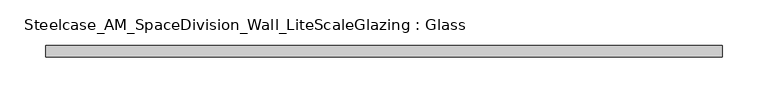
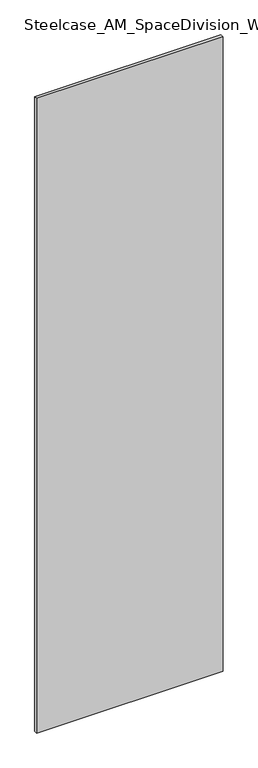
"""IFC4 building model written with IfcOpenShell, lengths in millimetres: plate geometry, Steelcase_AM_SpaceDivision_Wall_LiteScaleGlazing : Glass."""

from ifc_helpers import new_model, si_unit, origin, origin_with_axes, place, context, project, spatial, polyline, outline, extrude, source, transform, mapped, element, save


def steelcase_am_spacedivision_wall_litescaleglazing_glass_25c59f68(model_context):
    return source(origin(), model_context, "Body", "SweptSolid", [
        extrude(outline(polyline([(-370.4728422, -6.349956), (-370.4728422, 6.3502015), (370.4728422, 6.3502015), (370.4728422, -6.349956), (-370.4728422, -6.349956)])), origin_with_axes(), (0.0, 0.0, 1.0), 2665.984),
    ])


if __name__ == "__main__":
    model = new_model("IFC4")
    model_context = context("Model", 3, world=origin())
    ifc_project = project(units=[si_unit("LENGTHUNIT", "METRE", prefix="MILLI")], contexts=[model_context])
    site = spatial("IfcSite", under=ifc_project)
    building = spatial("IfcBuilding", under=site)
    placement = place(None, origin())
    steelcase_am_spacedivision_wall_litescaleglazing_glass_shape = steelcase_am_spacedivision_wall_litescaleglazing_glass_25c59f68(model_context)
    element("IfcPlate", 1, ObjectType="Steelcase_AM_SpaceDivision_Wall_LiteScaleGlazing : Glass", at=placement, inside=building, context=model_context, shape_type="MappedRepresentation", body=[
        mapped(steelcase_am_spacedivision_wall_litescaleglazing_glass_shape, transform((0.0, 0.0, 0.0), x_axis=(1.0, 0.0, 0.0), y_axis=(0.0, 1.0, 0.0), z_axis=(0.0, 0.0, 1.0))),
    ])
    save(model, "model.ifc")
